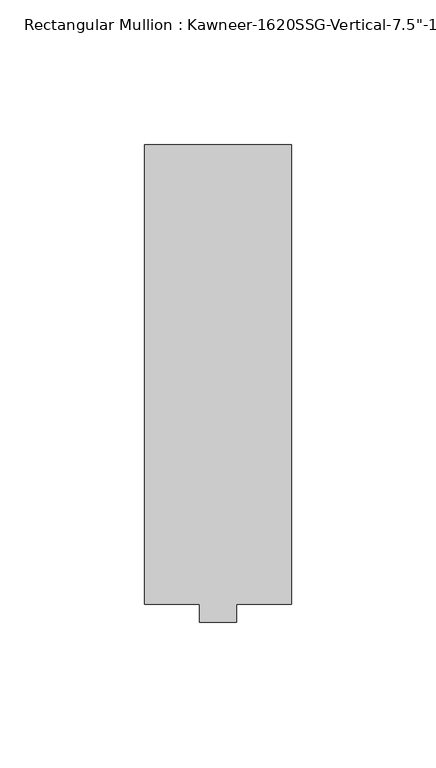
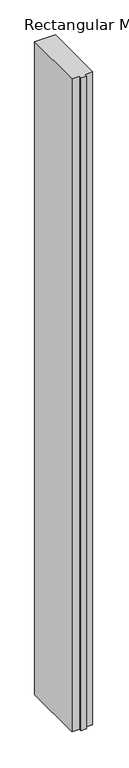
"""IFC4 building model written with IfcOpenShell, lengths in millimetres: member geometry."""

from ifc_helpers import new_model, si_unit, frame, origin, place, context, project, spatial, polyline, outline, extrude, source, transform, mapped, element, save


def member_d2674a9c(model_context):
    return source(origin(), model_context, "Body", "SweptSolid", [
        extrude(outline(polyline([(25.4, 161.925), (25.4, 3.175), (6.35, 3.175), (6.35, -3.175), (-6.35, -3.175), (-6.35, 3.175), (-25.4, 3.175), (-25.4, 161.925), (25.4, 161.925)])), frame((0.0, 0.0, -1695.45), z_axis=(0.0, 0.0, 1.0), x_axis=(1.0, 0.0, 0.0)), (0.0, 0.0, 1.0), 1695.45),
    ])


if __name__ == "__main__":
    model = new_model("IFC4")
    model_context = context("Model", 3, world=origin())
    ifc_project = project(units=[si_unit("LENGTHUNIT", "METRE", prefix="MILLI")], contexts=[model_context])
    site = spatial("IfcSite", under=ifc_project)
    building = spatial("IfcBuilding", under=site)
    placement = place(None, origin())
    member_shape = member_d2674a9c(model_context)
    element("IfcMember", 1, ObjectType="Rectangular Mullion : Kawneer-1620SSG-Vertical-7.5\"-1/4\"Infill-Standard", at=placement, inside=building, context=model_context, shape_type="MappedRepresentation", body=[
        mapped(member_shape, transform((0.0, 0.0, 0.0), x_axis=(1.0, 0.0, 0.0), y_axis=(0.0, 1.0, 0.0), z_axis=(0.0, 0.0, 1.0))),
    ])
    save(model, "model.ifc")
